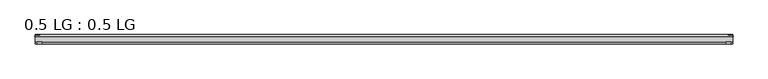
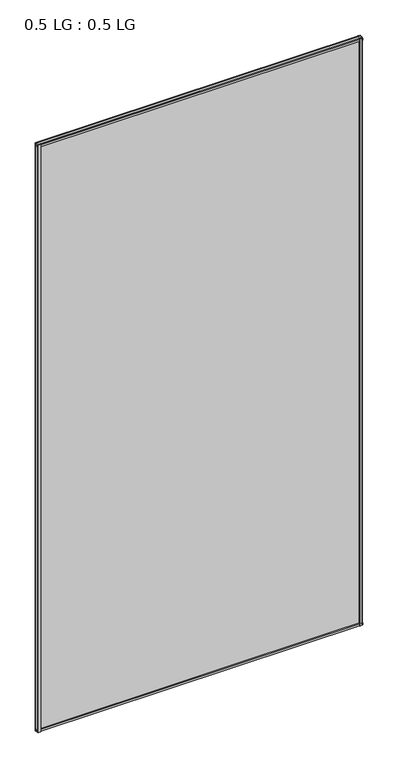
"""IFC4 building model written with IfcOpenShell, lengths in millimetres: plate geometry, 0.5 LG : 0.5 LG."""

from ifc_helpers import new_model, si_unit, frame, origin, origin_with_axes, place, context, project, spatial, polyline, outline, extrude, source, transform, mapped, element, save


def plate_0_5_lg_0_5_lg_bb4e7ffa(model_context):
    return source(origin(), model_context, "Body", "SweptSolid", [
        extrude(outline(polyline([(-843.2139513, 16.9767247), (-844.4235412, 21.828125), (-830.8660345, 21.828125), (-832.0756244, 16.9767247), (-843.2139513, 16.9767247)])), origin_with_axes(), (0.0, 0.0, 1.0), 3239.5501742),
        extrude(outline(polyline([(-848.6599387, 34.680525), (-847.4221258, 39.4557249), (-836.3096173, 39.4557249), (-835.0958142, 34.680525), (-848.6599387, 34.680525)])), origin_with_axes(), (0.0, 0.0, 1.0), 3239.5501742),
        extrude(outline(polyline([(843.2139513, 16.9767247), (832.0756244, 16.9767247), (830.8660345, 21.828125), (844.4235412, 21.828125), (843.2139513, 16.9767247)])), origin_with_axes(), (0.0, 0.0, 1.0), 3239.5501742),
        extrude(outline(polyline([(848.6599387, 34.680525), (835.0958142, 34.680525), (836.3096173, 39.4557249), (847.4221258, 39.4557249), (848.6599387, 34.680525)])), origin_with_axes(), (0.0, 0.0, 1.0), 3239.5501742),
        extrude(outline(polyline([(39.4569539, 11.124921), (39.4569539, 0.0005878), (34.680525, -1.2138382), (34.680525, 12.3392211), (39.4569539, 11.124921)])), frame((-847.4221258, 0.0, 0.0), z_axis=(1.0, 0.0, 0.0), x_axis=(0.0, 1.0, 0.0)), (0.0, 0.0, 1.0), 1694.8442516),
        extrude(outline(polyline([(16.9767101, 13.8303088), (21.828125, 15.0636853), (21.828125, 1.4714303), (16.9767101, 2.704584), (16.9767101, 13.8303088)])), frame((-847.4221258, 0.0, 0.0), z_axis=(1.0, 0.0, 0.0), x_axis=(0.0, 1.0, 0.0)), (0.0, 0.0, 1.0), 1694.8442516),
        extrude(outline(polyline([(39.4569539, 3228.4252532), (34.680525, 3227.2109532), (34.680525, 3240.7640124), (39.4569539, 3239.5495864), (39.4569539, 3228.4252532)])), frame((-847.4221258, 0.0, 0.0), z_axis=(1.0, 0.0, 0.0), x_axis=(0.0, 1.0, 0.0)), (0.0, 0.0, 1.0), 1694.8442516),
        extrude(outline(polyline([(16.9767101, 3225.7198654), (16.9767101, 3236.8455903), (21.828125, 3238.0787439), (21.828125, 3224.4864889), (16.9767101, 3225.7198654)])), frame((-847.4221258, 0.0, 0.0), z_axis=(1.0, 0.0, 0.0), x_axis=(0.0, 1.0, 0.0)), (0.0, 0.0, 1.0), 1694.8442516),
        extrude(outline(polyline([(847.4221258, 34.680525), (847.4221258, 21.828125), (-847.4221258, 21.828125), (-847.4221258, 34.680525), (847.4221258, 34.680525)])), origin_with_axes(), (0.0, 0.0, 1.0), 3239.5501742),
    ])


if __name__ == "__main__":
    model = new_model("IFC4")
    model_context = context("Model", 3, world=origin())
    ifc_project = project(units=[si_unit("LENGTHUNIT", "METRE", prefix="MILLI")], contexts=[model_context])
    site = spatial("IfcSite", under=ifc_project)
    building = spatial("IfcBuilding", under=site)
    placement = place(None, origin())
    plate_0_5_lg_0_5_lg_shape = plate_0_5_lg_0_5_lg_bb4e7ffa(model_context)
    element("IfcPlate", 1, ObjectType="0.5 LG : 0.5 LG", at=placement, inside=building, context=model_context, shape_type="MappedRepresentation", body=[
        mapped(plate_0_5_lg_0_5_lg_shape, transform((0.0, 0.0, 0.0), x_axis=(1.0, 0.0, 0.0), y_axis=(0.0, 1.0, 0.0), z_axis=(0.0, 0.0, 1.0))),
    ])
    save(model, "model.ifc")
